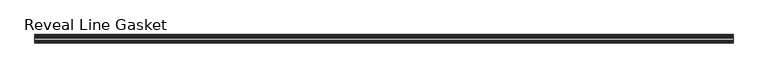
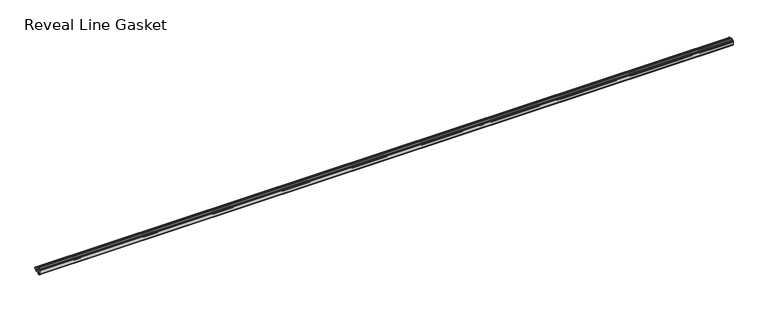
"""IFC4 building model written with IfcOpenShell, lengths in millimetres: furniture geometry, Reveal Line Gasket."""

from ifc_helpers import new_model, si_unit, point, frame, frame_2d, origin, place, context, project, spatial, polyline, circle_curve, trimmed, segment, composite_curve, outline, extrude, source, transform, mapped, element, save


def reveal_line_gasket_ce581daf(model_context):
    return source(origin(), model_context, "Body", "SweptSolid", [
        extrude(outline(composite_curve([segment(polyline([(-7.6326998, 1603.2), (-7.4091917, 1604.1554927), (-6.8813059, 1605.0884684)]), True, "CONTINUOUS"), segment(trimmed(circle_curve(frame_2d((-6.5243141, 1604.8864793)), 0.4101739), [point((-6.8813059, 1605.0884684))], [point((-6.1246704, 1604.7941347))], False, "CARTESIAN"), True, "CONTINUOUS"), segment(polyline([(-6.1246704, 1604.7941347), (-6.3626997, 1603.0979086), (-6.3626997, 1601.0654527)]), True, "CONTINUOUS"), segment(trimmed(circle_curve(frame_2d((-5.6959605, 1601.4819258)), 0.786124), [point((-6.3626997, 1601.0654527))], [point((-5.0926996, 1600.977875))], True, "CARTESIAN"), True, "CONTINUOUS"), segment(polyline([(-5.0926996, 1600.977875), (-0.7492996, 1600.977875), (-3.7293824, 1606.1395295)]), True, "CONTINUOUS"), segment(trimmed(circle_curve(frame_2d((-3.3132479, 1606.2049761)), 0.4212495), [point((-3.7293824, 1606.1395295))], [point((-3.0485022, 1606.5326358))], False, "CARTESIAN"), True, "CONTINUOUS"), segment(polyline([(-3.0485022, 1606.5326358), (0.5742594, 1600.977875), (4.8262978, 1600.977875), (3.1660374, 1603.8535297)]), True, "CONTINUOUS"), segment(trimmed(circle_curve(frame_2d((3.5978728, 1603.9118855)), 0.4357605), [point((3.1660374, 1603.8535297))], [point((3.864328, 1604.2566881))], False, "CARTESIAN"), True, "CONTINUOUS"), segment(polyline([(3.864328, 1604.2566881), (6.1944059, 1600.977875), (7.6326998, 1600.977875), (7.6326998, 1599.422125), (6.1944059, 1599.422125), (3.864328, 1596.1433119)]), True, "CONTINUOUS"), segment(trimmed(circle_curve(frame_2d((3.5978728, 1596.4881145)), 0.4357605), [point((3.864328, 1596.1433119))], [point((3.1660374, 1596.5464703))], False, "CARTESIAN"), True, "CONTINUOUS"), segment(polyline([(3.1660374, 1596.5464703), (4.8262978, 1599.422125), (0.5742594, 1599.422125), (-3.0485022, 1593.8673642)]), True, "CONTINUOUS"), segment(trimmed(circle_curve(frame_2d((-3.3132479, 1594.1950239)), 0.4212495), [point((-3.0485022, 1593.8673642))], [point((-3.7293824, 1594.2604705))], False, "CARTESIAN"), True, "CONTINUOUS"), segment(polyline([(-3.7293824, 1594.2604705), (-0.7492996, 1599.422125), (-5.0926996, 1599.422125)]), True, "CONTINUOUS"), segment(trimmed(circle_curve(frame_2d((-5.6959605, 1598.9180742)), 0.786124), [point((-5.0926996, 1599.422125))], [point((-6.3626997, 1599.3345473))], True, "CARTESIAN"), True, "CONTINUOUS"), segment(polyline([(-6.3626997, 1599.3345473), (-6.3626997, 1597.3020914), (-6.1246704, 1595.6058653)]), True, "CONTINUOUS"), segment(trimmed(circle_curve(frame_2d((-6.5243141, 1595.5135207)), 0.4101739), [point((-6.1246704, 1595.6058653))], [point((-6.8813059, 1595.3115316))], False, "CARTESIAN"), True, "CONTINUOUS"), segment(polyline([(-6.8813059, 1595.3115316), (-7.4091917, 1596.2445073), (-7.6326998, 1597.2), (-7.6326998, 1603.2)]), True, "CONTINUOUS")], self_intersect=False)), frame((-645.8249999, 0.0, 0.0), z_axis=(1.0, 0.0, 0.0), x_axis=(0.0, 1.0, 0.0)), (0.0, 0.0, 1.0), 1291.6499999),
    ])


if __name__ == "__main__":
    model = new_model("IFC4")
    model_context = context("Model", 3, world=origin())
    ifc_project = project(units=[si_unit("LENGTHUNIT", "METRE", prefix="MILLI")], contexts=[model_context])
    site = spatial("IfcSite", under=ifc_project)
    building = spatial("IfcBuilding", under=site)
    placement = place(None, origin())
    reveal_line_gasket_shape = reveal_line_gasket_ce581daf(model_context)
    element("IfcFurniture", 1, ObjectType="Reveal Line Gasket", at=placement, inside=building, context=model_context, shape_type="MappedRepresentation", body=[
        mapped(reveal_line_gasket_shape, transform((0.0, 0.0, 0.0), x_axis=(1.0, 0.0, 0.0), y_axis=(0.0, 1.0, 0.0), z_axis=(0.0, 0.0, 1.0))),
    ])
    save(model, "model.ifc")
